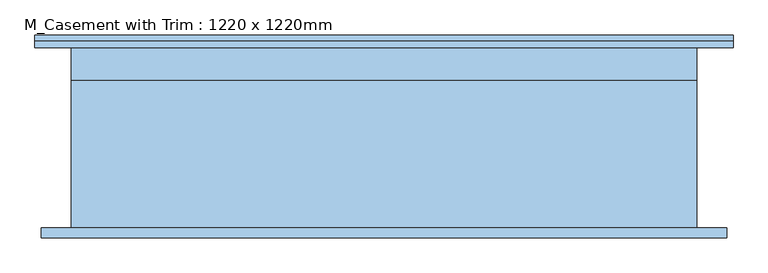
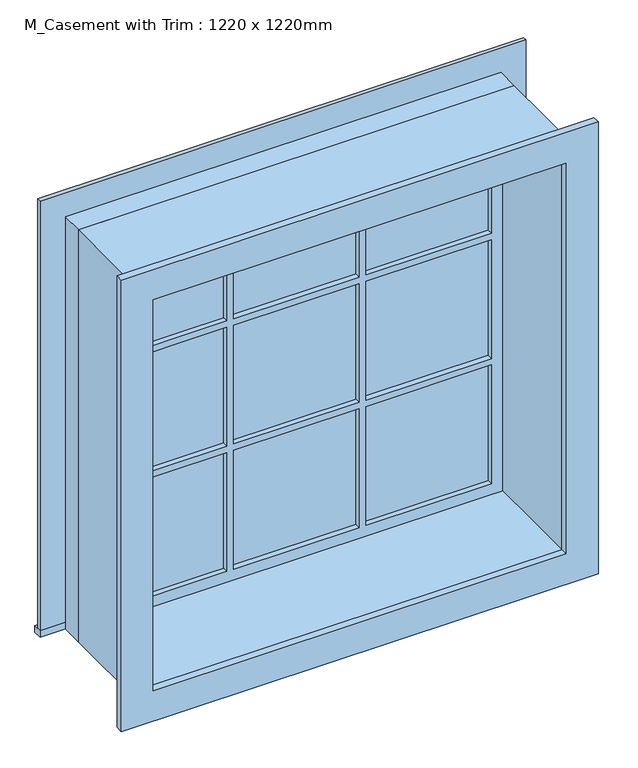
"""IFC4 building model written with IfcOpenShell, lengths in millimetres: window geometry, M_Casement with Trim : 1220 x 1220mm."""

import ifcopenshell
import ifcopenshell.guid

model = None  # the IFC model being written
_history = None  # IfcOwnerHistory: only IFC2X3 demands one
_inside = {}  # id of a spatial element -> (the spatial element, [elements in it])
_under = {}  # id of a project, library or spatial element -> (it, [spatial elements below it])
_declared = {}  # id of a project -> (the project, [libraries it declares])
_typed = {}  # id of a type object -> (the type object, [elements of that type])
_made_of = {}  # id of a material, layer set ... -> (it, [elements and type objects made of it])


def new_model(schema):
    """Start an empty IFC model of exactly this schema.

    Asked for "IFC4X3", IfcOpenShell would pick the latest addendum, in which some entities
    have other attributes; the version numbers below select the first issue.
    IFC2X3 requires an IfcOwnerHistory on every rooted entity: one is made here for all.
    """
    global model, _history
    if schema == "IFC4X3":
        model = ifcopenshell.file(schema_version=(4, 3, 0, 0))
    else:
        model = ifcopenshell.file(schema=schema)
    _inside.clear()
    _under.clear()
    _declared.clear()
    _typed.clear()
    _made_of.clear()
    _history = None
    if model.schema == "IFC2X3":
        org = make("IfcOrganization", Name="unknown")
        user = make(
            "IfcPersonAndOrganization",
            ThePerson=make("IfcPerson", FamilyName="unknown"),
            TheOrganization=org,
        )
        app = make(
            "IfcApplication",
            ApplicationDeveloper=org,
            Version="unknown",
            ApplicationFullName="unknown",
            ApplicationIdentifier="unknown",
        )
        _history = make(
            "IfcOwnerHistory",
            OwningUser=user,
            OwningApplication=app,
            ChangeAction="ADDED",
            CreationDate=0,
        )
    return model


def make(cls, **values):
    """One entity of the class cls with the attributes given. An attribute that is None is left unset."""
    return model.create_entity(
        cls, **{name: value for name, value in values.items() if value is not None}
    )


def rooted(cls, **values):
    """An entity with a GlobalId (a new one), such as an element, a storey or a relation."""
    return make(cls, GlobalId=ifcopenshell.guid.new(), OwnerHistory=_history, **values)


def si_unit(unit_type, name, prefix=None):
    """IfcSIUnit, for example si_unit("LENGTHUNIT", "METRE", prefix="MILLI")."""
    return make("IfcSIUnit", UnitType=unit_type, Prefix=prefix, Name=name)


def assignment(units):
    """IfcUnitAssignment: the units of a project."""
    return None if units is None else make("IfcUnitAssignment", Units=units)


def point(xyz):
    """IfcCartesianPoint."""
    return None if xyz is None else make("IfcCartesianPoint", Coordinates=xyz)


def direction(xyz):
    """IfcDirection."""
    return None if xyz is None else make("IfcDirection", DirectionRatios=xyz)


def frame(location, z_axis=None, x_axis=None):
    """IfcAxis2Placement3D, a coordinate frame: its origin and axes. An axis left out is left unset."""
    return make(
        "IfcAxis2Placement3D",
        Location=point(location),
        Axis=direction(z_axis),
        RefDirection=direction(x_axis),
    )


def origin():
    """The frame at (0, 0, 0) with its axes left unset."""
    return frame((0.0, 0.0, 0.0))


def origin_with_axes():
    """The frame at (0, 0, 0) with the z axis (0, 0, 1) and the x axis (1, 0, 0) written out."""
    return frame((0.0, 0.0, 0.0), z_axis=(0.0, 0.0, 1.0), x_axis=(1.0, 0.0, 0.0))


def place(relative_to, where):
    """IfcLocalPlacement: puts the frame where relative to a parent placement (None: the world)."""
    return make(
        "IfcLocalPlacement", PlacementRelTo=relative_to, RelativePlacement=where
    )


def context(
    kind, dimensions, precision=None, world=None, true_north=None, identifier=None
):
    """IfcGeometricRepresentationContext, for example the 3D "Model" context."""
    return make(
        "IfcGeometricRepresentationContext",
        ContextIdentifier=identifier,
        ContextType=kind,
        CoordinateSpaceDimension=dimensions,
        Precision=precision,
        WorldCoordinateSystem=world,
        TrueNorth=true_north,
    )


def project(units=None, contexts=None):
    """IfcProject with its units and contexts."""
    return rooted(
        "IfcProject",
        Name="project",
        RepresentationContexts=contexts,
        UnitsInContext=assignment(units),
    )


def spatial(cls, under=None, at=None, **own):
    """A site, building, storey or space (cls), placed at a placement, below another one or the project."""
    s = rooted(cls, ObjectPlacement=at, **own)
    if under is not None:
        _under.setdefault(under.id(), (under, []))[1].append(s)
    return s


def polyline(points):
    """IfcPolyline through the points."""
    return make("IfcPolyline", Points=[point(p) for p in points])


def outline(outer, holes=None, kind="AREA"):
    """IfcArbitraryClosedProfileDef: a profile drawn as a closed curve; with holes, ...WithVoids."""
    if holes is None:
        return make("IfcArbitraryClosedProfileDef", ProfileType=kind, OuterCurve=outer)
    return make(
        "IfcArbitraryProfileDefWithVoids",
        ProfileType=kind,
        OuterCurve=outer,
        InnerCurves=holes,
    )


def extrude(swept, where, along, depth):
    """IfcExtrudedAreaSolid: the profile swept, set in the frame where, extruded along a direction by depth."""
    return make(
        "IfcExtrudedAreaSolid",
        SweptArea=swept,
        Position=where,
        ExtrudedDirection=direction(along),
        Depth=depth,
    )


def shape(context_of_items, identifier, shape_type, items):
    """IfcShapeRepresentation: the items that make up one representation, for example the "Body"."""
    return make(
        "IfcShapeRepresentation",
        ContextOfItems=context_of_items,
        RepresentationIdentifier=identifier,
        RepresentationType=shape_type,
        Items=items,
    )


def source(mapping_origin, context_of_items, identifier, shape_type, items):
    """IfcRepresentationMap: a shape defined once, which mapped items show again and again."""
    return make(
        "IfcRepresentationMap",
        MappingOrigin=mapping_origin,
        MappedRepresentation=shape(context_of_items, identifier, shape_type, items),
    )


def transform(
    local_origin,
    x_axis=None,
    y_axis=None,
    z_axis=None,
    scale=None,
    scale2=None,
    scale3=None,
    uniform=True,
):
    """IfcCartesianTransformationOperator3D, or its non-uniform kind. x_axis, y_axis, z_axis: its Axis1, 2, 3."""
    if uniform:
        return make(
            "IfcCartesianTransformationOperator3D",
            Axis1=direction(x_axis),
            Axis2=direction(y_axis),
            LocalOrigin=point(local_origin),
            Scale=scale,
            Axis3=direction(z_axis),
        )
    return make(
        "IfcCartesianTransformationOperator3DnonUniform",
        Axis1=direction(x_axis),
        Axis2=direction(y_axis),
        LocalOrigin=point(local_origin),
        Scale=scale,
        Axis3=direction(z_axis),
        Scale2=scale2,
        Scale3=scale3,
    )


def mapped(mapping_source, mapping_target):
    """IfcMappedItem: shows the shape of a source again, moved by a transform."""
    return make(
        "IfcMappedItem", MappingSource=mapping_source, MappingTarget=mapping_target
    )


def made_of(thing, what):
    """Note that an element or type object is made of a material, layer set ...; save() writes the relation."""
    if what is not None:
        _made_of.setdefault(what.id(), (what, []))[1].append(thing)
    return thing


def element(
    cls,
    number,
    at=None,
    inside=None,
    cuts=None,
    type_object=None,
    material=None,
    context=None,
    identifier="Body",
    shape_type=None,
    held_by="IfcProductDefinitionShape",
    body=None,
    shapes=None,
    **own,
):
    """One element of the class cls, such as IfcWall. Its Tag is "e" and its number.

    at: its placement. inside: the storey or other place that contains it. cuts: it is an
    opening in that element (IfcRelVoidsElement). A single representation is given by context,
    identifier, shape_type and body (its items); several are given by shapes. held_by: the class
    of the entity that holds the representations. save() writes the other relations.
    """
    e = rooted(cls, Tag="e%d" % number, ObjectPlacement=at, **own)
    if body is not None:
        shapes = [shape(context, identifier, shape_type, body)]
    if shapes is not None:
        e.Representation = make(held_by, Representations=shapes)
    if inside is not None:
        _inside.setdefault(inside.id(), (inside, []))[1].append(e)
    if cuts is not None:
        rooted(
            "IfcRelVoidsElement", RelatingBuildingElement=cuts, RelatedOpeningElement=e
        )
    if type_object is not None:
        _typed.setdefault(type_object.id(), (type_object, []))[1].append(e)
    return made_of(e, material)


def aggregate(whole, parts):
    """IfcRelAggregates: a whole, such as a stair, and the parts it consists of."""
    return rooted("IfcRelAggregates", RelatingObject=whole, RelatedObjects=parts)


def save(model, path):
    """Write the relations noted so far, then the file.

    IfcRelAggregates (storeys below a building ...), IfcRelContainedInSpatialStructure (elements
    in a storey), IfcRelDefinesByType, IfcRelAssociatesMaterial and IfcRelDeclares: one each for
    every whole, place, type object, material and project.
    """
    for whole, parts in _under.values():
        aggregate(whole, parts)
    for where, things in _inside.values():
        rooted(
            "IfcRelContainedInSpatialStructure",
            RelatedElements=things,
            RelatingStructure=where,
        )
    for kind, things in _typed.values():
        rooted("IfcRelDefinesByType", RelatedObjects=things, RelatingType=kind)
    for what, things in _made_of.values():
        rooted("IfcRelAssociatesMaterial", RelatedObjects=things, RelatingMaterial=what)
    for by, libraries in _declared.values():
        rooted("IfcRelDeclares", RelatingContext=by, RelatedDefinitions=libraries)
    model.write(path)


def m_casement_with_trim_1220_x_1220mm_0cdbd414(model_context):
    return source(origin(), model_context, "Body", "SweptSolid", [
        extrude(outline(polyline([(-680.95, 200.7), (680.95, 200.7), (680.95, 176.0), (-680.95, 176.0), (-680.95, 200.7)])), origin_with_axes(), (0.0, 0.0, 1.0), 19.05),
        extrude(outline(polyline([(1200.95, -590.95), (1200.95, 590.95), (19.05, 590.95), (19.05, 680.95), (1290.95, 680.95), (1290.95, -680.95), (19.05, -680.95), (19.05, -590.95), (1200.95, -590.95)])), frame((0.0, 176.0, 0.0), z_axis=(0.0, 1.0, 0.0), x_axis=(0.0, 0.0, 1.0)), (0.0, 0.0, 1.0), 12.0),
        extrude(outline(polyline([(194.8666667, 140.125), (546.5, 140.125), (546.5, 127.425), (194.8666667, 127.425), (194.8666667, 140.125)])), frame((0.0, 0.0, 804.8666667), z_axis=(0.0, 0.0, 1.0), x_axis=(1.0, 0.0, 0.0)), (0.0, 0.0, 1.0), 351.6333333),
        extrude(outline(polyline([(-175.8166667, 140.125), (175.8166667, 140.125), (175.8166667, 127.425), (-175.8166667, 127.425), (-175.8166667, 140.125)])), frame((0.0, 0.0, 804.8666667), z_axis=(0.0, 0.0, 1.0), x_axis=(1.0, 0.0, 0.0)), (0.0, 0.0, 1.0), 351.6333333),
        extrude(outline(polyline([(-546.5, 140.125), (-194.8666667, 140.125), (-194.8666667, 127.425), (-546.5, 127.425), (-546.5, 140.125)])), frame((0.0, 0.0, 804.8666667), z_axis=(0.0, 0.0, 1.0), x_axis=(1.0, 0.0, 0.0)), (0.0, 0.0, 1.0), 351.6333333),
        extrude(outline(polyline([(-546.5, 140.125), (-194.8666667, 140.125), (-194.8666667, 127.425), (-546.5, 127.425), (-546.5, 140.125)])), frame((0.0, 0.0, 434.1833333), z_axis=(0.0, 0.0, 1.0), x_axis=(1.0, 0.0, 0.0)), (0.0, 0.0, 1.0), 351.6333333),
        extrude(outline(polyline([(-175.8166667, 140.125), (175.8166667, 140.125), (175.8166667, 127.425), (-175.8166667, 127.425), (-175.8166667, 140.125)])), frame((0.0, 0.0, 434.1833333), z_axis=(0.0, 0.0, 1.0), x_axis=(1.0, 0.0, 0.0)), (0.0, 0.0, 1.0), 351.6333333),
        extrude(outline(polyline([(194.8666667, 140.125), (546.5, 140.125), (546.5, 127.425), (194.8666667, 127.425), (194.8666667, 140.125)])), frame((0.0, 0.0, 434.1833333), z_axis=(0.0, 0.0, 1.0), x_axis=(1.0, 0.0, 0.0)), (0.0, 0.0, 1.0), 351.6333333),
        extrude(outline(polyline([(194.8666667, 140.125), (546.5, 140.125), (546.5, 127.425), (194.8666667, 127.425), (194.8666667, 140.125)])), frame((0.0, 0.0, 63.5), z_axis=(0.0, 0.0, 1.0), x_axis=(1.0, 0.0, 0.0)), (0.0, 0.0, 1.0), 351.6333333),
        extrude(outline(polyline([(-175.8166667, 140.125), (175.8166667, 140.125), (175.8166667, 127.425), (-175.8166667, 127.425), (-175.8166667, 140.125)])), frame((0.0, 0.0, 63.5), z_axis=(0.0, 0.0, 1.0), x_axis=(1.0, 0.0, 0.0)), (0.0, 0.0, 1.0), 351.6333333),
        extrude(outline(polyline([(-546.5, 140.125), (-194.8666667, 140.125), (-194.8666667, 127.425), (-546.5, 127.425), (-546.5, 140.125)])), frame((0.0, 0.0, 63.5), z_axis=(0.0, 0.0, 1.0), x_axis=(1.0, 0.0, 0.0)), (0.0, 0.0, 1.0), 351.6333333),
        extrude(outline(polyline([(1278.25, 668.25), (1278.25, -668.25), (-58.25, -668.25), (-58.25, 668.25), (1278.25, 668.25)]), holes=[polyline([(1188.25, 578.25), (31.75, 578.25), (31.75, -578.25), (1188.25, -578.25), (1188.25, 578.25)])]), frame((0.0, -196.0, 0.0), z_axis=(0.0, 1.0, 0.0), x_axis=(0.0, 0.0, 1.0)), (0.0, 0.0, 1.0), 20.0),
        extrude(outline(polyline([(1200.95, -590.95), (19.05, -590.95), (19.05, 590.95), (1200.95, 590.95), (1200.95, -590.95)]), holes=[polyline([(1156.5, -194.8666667), (804.8666667, -194.8666667), (804.8666667, -546.5), (1156.5, -546.5), (1156.5, -194.8666667)]), polyline([(785.8166667, -194.8666667), (434.1833333, -194.8666667), (434.1833333, -546.5), (785.8166667, -546.5), (785.8166667, -194.8666667)]), polyline([(415.1333333, -194.8666667), (63.5, -194.8666667), (63.5, -546.5), (415.1333333, -546.5), (415.1333333, -194.8666667)]), polyline([(1156.5, 175.8166667), (804.8666667, 175.8166667), (804.8666667, -175.8166667), (1156.5, -175.8166667), (1156.5, 175.8166667)]), polyline([(785.8166667, 175.8166667), (434.1833333, 175.8166667), (434.1833333, -175.8166667), (785.8166667, -175.8166667), (785.8166667, 175.8166667)]), polyline([(415.1333333, 175.8166667), (63.5, 175.8166667), (63.5, -175.8166667), (415.1333333, -175.8166667), (415.1333333, 175.8166667)]), polyline([(1156.5, 546.5), (804.8666667, 546.5), (804.8666667, 194.8666667), (1156.5, 194.8666667), (1156.5, 546.5)]), polyline([(785.8166667, 546.5), (434.1833333, 546.5), (434.1833333, 194.8666667), (785.8166667, 194.8666667), (785.8166667, 546.5)]), polyline([(415.1333333, 546.5), (63.5, 546.5), (63.5, 194.8666667), (415.1333333, 194.8666667), (415.1333333, 546.5)])]), frame((0.0, 111.55, 0.0), z_axis=(0.0, 1.0, 0.0), x_axis=(0.0, 0.0, 1.0)), (0.0, 0.0, 1.0), 44.45),
        extrude(outline(polyline([(1220.0, -610.0), (0.0, -610.0), (0.0, 610.0), (1220.0, 610.0), (1220.0, -610.0)]), holes=[polyline([(1188.25, -578.25), (1188.25, 578.25), (31.75, 578.25), (31.75, -578.25), (1188.25, -578.25)])]), frame((0.0, -176.0, 0.0), z_axis=(0.0, 1.0, 0.0), x_axis=(0.0, 0.0, 1.0)), (0.0, 0.0, 1.0), 287.55),
        extrude(outline(polyline([(1220.0, 610.0), (1220.0, -610.0), (0.0, -610.0), (0.0, 610.0), (1220.0, 610.0)]), holes=[polyline([(1200.95, 590.95), (19.05, 590.95), (19.05, -590.95), (1200.95, -590.95), (1200.95, 590.95)])]), frame((0.0, 111.55, 0.0), z_axis=(0.0, 1.0, 0.0), x_axis=(0.0, 0.0, 1.0)), (0.0, 0.0, 1.0), 64.45),
    ])


if __name__ == "__main__":
    model = new_model("IFC4")
    model_context = context("Model", 3, world=origin())
    ifc_project = project(units=[si_unit("LENGTHUNIT", "METRE", prefix="MILLI")], contexts=[model_context])
    site = spatial("IfcSite", under=ifc_project)
    building = spatial("IfcBuilding", under=site)
    placement = place(None, origin())
    m_casement_with_trim_1220_x_1220mm_shape = m_casement_with_trim_1220_x_1220mm_0cdbd414(model_context)
    element("IfcWindow", 1, ObjectType="M_Casement with Trim : 1220 x 1220mm", at=placement, inside=building, context=model_context, shape_type="MappedRepresentation", body=[
        mapped(m_casement_with_trim_1220_x_1220mm_shape, transform((0.0, 0.0, 0.0), x_axis=(1.0, 0.0, 0.0), y_axis=(0.0, 1.0, 0.0), z_axis=(0.0, 0.0, 1.0))),
    ])
    save(model, "model.ifc")
